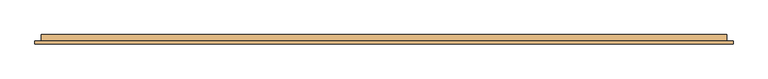
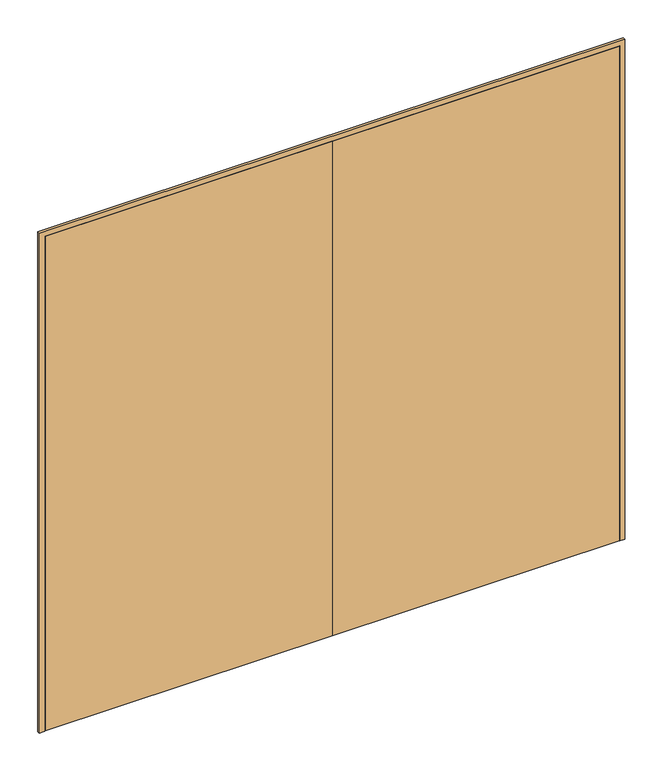
"""IFC4 building model written with IfcOpenShell, lengths in millimetres: door geometry."""

from ifc_helpers import new_model, si_unit, frame, origin, place, context, project, spatial, polyline, outline, extrude, faceted_brep, source, transform, mapped, element, save


def door_892f191c(model_context):
    return source(origin(), model_context, "Body", "SolidModel", [
        faceted_brep([(-1747.0, 34.5, 0.0), (-1747.0, 2.5, 0.0), (-1768.0, 2.5, 0.0), (-1768.0, 34.5, 0.0), (-1747.0, 34.5, 3197.0), (-1747.0, 2.5, 3197.0), (-1768.0, 2.5, 3218.0), (-1768.0, 34.5, 3218.0), (1747.0, 34.5, 0.0), (1768.0, 34.5, 0.0), (1768.0, 2.5, 0.0), (1747.0, 2.5, 0.0), (1768.0, 34.5, 3218.0), (1747.0, 34.5, 3197.0), (1768.0, 2.5, 3218.0), (1747.0, 2.5, 3197.0)], [[[0, 1, 2, 3]], [[0, 4, 5, 1]], [[1, 5, 6, 2]], [[2, 6, 7, 3]], [[3, 7, 4, 0]], [[8, 9, 10, 11]], [[12, 9, 8, 13]], [[14, 10, 9, 12]], [[15, 11, 10, 14]], [[13, 8, 11, 15]], [[4, 13, 15, 5]], [[5, 15, 14, 6]], [[6, 14, 12, 7]], [[7, 12, 13, 4]]]),
        extrude(outline(polyline([(3250.0, -1800.0), (0.0, -1800.0), (0.0, -1768.0), (3218.0, -1768.0), (3218.0, 1768.0), (0.0, 1768.0), (0.0, 1800.0), (3250.0, 1800.0), (3250.0, -1800.0)])), frame((0.0, -12.5, 0.0), z_axis=(0.0, 1.0, 0.0), x_axis=(0.0, 0.0, 1.0)), (0.0, 0.0, 1.0), 15.0),
        extrude(outline(polyline([(1.0739506, 31.5), (1.0739506, -12.5), (-1765.0, -12.5), (-1765.0, 31.5), (1.0739506, 31.5)])), frame((0.0, 0.0, 1.753223), z_axis=(0.0, 0.0, 1.0), x_axis=(1.0, 0.0, 0.0)), (0.0, 0.0, 1.0), 3216.246777),
        extrude(outline(polyline([(1765.0, 31.5), (1765.0, -12.5), (1.0739506, -12.5), (1.0739506, 31.5), (1765.0, 31.5)])), frame((0.0, 0.0, 1.753223), z_axis=(0.0, 0.0, 1.0), x_axis=(1.0, 0.0, 0.0)), (0.0, 0.0, 1.0), 3216.246777),
    ])


if __name__ == "__main__":
    model = new_model("IFC4")
    model_context = context("Model", 3, world=origin())
    ifc_project = project(units=[si_unit("LENGTHUNIT", "METRE", prefix="MILLI")], contexts=[model_context])
    site = spatial("IfcSite", under=ifc_project)
    building = spatial("IfcBuilding", under=site)
    placement = place(None, origin())
    door_shape = door_892f191c(model_context)
    element("IfcDoor", 1, at=placement, inside=building, context=model_context, shape_type="MappedRepresentation", body=[
        mapped(door_shape, transform((0.0, 0.0, 0.0), x_axis=(1.0, 0.0, 0.0), y_axis=(0.0, 1.0, 0.0), z_axis=(0.0, 0.0, 1.0))),
    ])
    save(model, "model.ifc")
